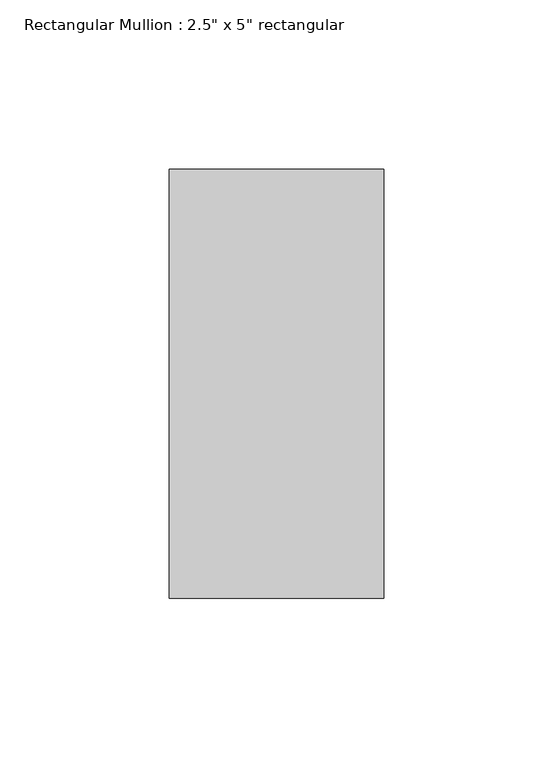
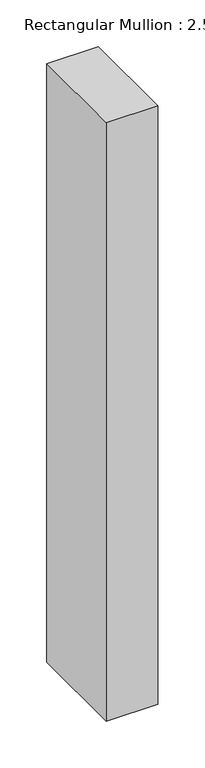
"""IFC4 building model written with IfcOpenShell, lengths in millimetres: member geometry."""

from ifc_helpers import new_model, si_unit, frame, origin, place, context, project, spatial, polyline, outline, extrude, source, transform, mapped, element, save


def member_a62e53c9(model_context):
    return source(origin(), model_context, "Body", "SweptSolid", [
        extrude(outline(polyline([(31.75, 63.5), (31.75, -63.5), (-31.75, -63.5), (-31.75, 63.5), (31.75, 63.5)])), frame((0.0, 0.0, -779.7531654), z_axis=(0.0, 0.0, 1.0), x_axis=(1.0, 0.0, 0.0)), (0.0, 0.0, 1.0), 779.7531654),
    ])


if __name__ == "__main__":
    model = new_model("IFC4")
    model_context = context("Model", 3, world=origin())
    ifc_project = project(units=[si_unit("LENGTHUNIT", "METRE", prefix="MILLI")], contexts=[model_context])
    site = spatial("IfcSite", under=ifc_project)
    building = spatial("IfcBuilding", under=site)
    placement = place(None, origin())
    member_shape = member_a62e53c9(model_context)
    element("IfcMember", 1, ObjectType="Rectangular Mullion : 2.5\" x 5\" rectangular", at=placement, inside=building, context=model_context, shape_type="MappedRepresentation", body=[
        mapped(member_shape, transform((0.0, 0.0, 0.0), x_axis=(1.0, 0.0, 0.0), y_axis=(0.0, 1.0, 0.0), z_axis=(0.0, 0.0, 1.0))),
    ])
    save(model, "model.ifc")
